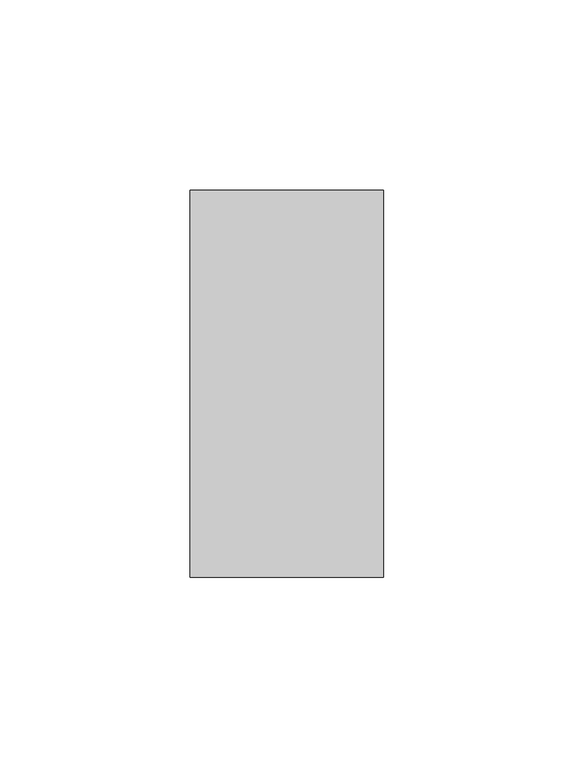
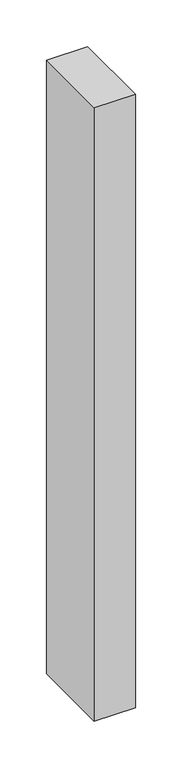
"""IFC4 building model written with IfcOpenShell, lengths in millimetres: proxy geometry."""

from ifc_helpers import new_model, si_unit, origin, origin_with_axes, place, context, project, spatial, polyline, outline, extrude, source, transform, mapped, element, save


def generic_models_4f66fa37(model_context):
    return source(origin(), model_context, "Body", "SweptSolid", [
        extrude(outline(polyline([(50.8, 0.0), (0.0, 0.0), (0.0, 101.6), (50.8, 101.6), (50.8, 0.0)])), origin_with_axes(), (0.0, 0.0, 1.0), 800.0),
    ])


if __name__ == "__main__":
    model = new_model("IFC4")
    model_context = context("Model", 3, world=origin())
    ifc_project = project(units=[si_unit("LENGTHUNIT", "METRE", prefix="MILLI")], contexts=[model_context])
    site = spatial("IfcSite", under=ifc_project)
    building = spatial("IfcBuilding", under=site)
    placement = place(None, origin())
    generic_models_shape = generic_models_4f66fa37(model_context)
    element("IfcBuildingElementProxy", 1, Name="Generic Models", at=placement, inside=building, context=model_context, shape_type="MappedRepresentation", body=[
        mapped(generic_models_shape, transform((0.0, 0.0, 0.0), x_axis=(1.0, 0.0, 0.0), y_axis=(0.0, 1.0, 0.0), z_axis=(0.0, 0.0, 1.0))),
    ])
    save(model, "model.ifc")
